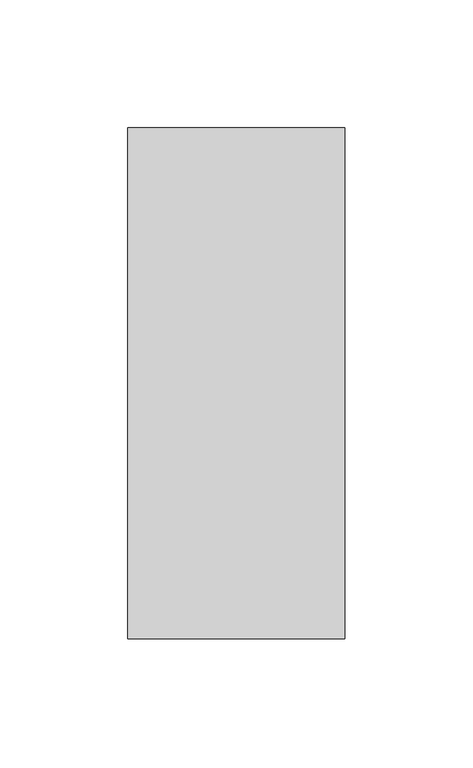
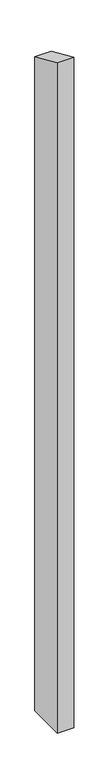
"""IFC4 building model written with IfcOpenShell, lengths in millimetres: column geometry."""

from ifc_helpers import new_model, si_unit, frame, origin, place, context, project, spatial, polyline, outline, extrude, source, transform, mapped, element, save


def column_269334a3(model_context):
    return source(origin(), model_context, "Body", "SweptSolid", [
        extrude(outline(polyline([(3559.2068086, 0.0), (3359.2068086, 0.0), (3359.2068086, 3658.7009296), (3559.2068086, 3569.6551925), (3559.2068086, 0.0)])), frame((1241.6270411, 0.0, 0.0), z_axis=(1.0, 0.0, 0.0), x_axis=(0.0, 1.0, 0.0)), (0.0, 0.0, 1.0), 85.0),
    ])


if __name__ == "__main__":
    model = new_model("IFC4")
    model_context = context("Model", 3, world=origin())
    ifc_project = project(units=[si_unit("LENGTHUNIT", "METRE", prefix="MILLI")], contexts=[model_context])
    site = spatial("IfcSite", under=ifc_project)
    building = spatial("IfcBuilding", under=site)
    placement = place(None, origin())
    column_shape = column_269334a3(model_context)
    element("IfcColumn", 1, at=placement, inside=building, context=model_context, shape_type="MappedRepresentation", body=[
        mapped(column_shape, transform((0.0, 0.0, 0.0), x_axis=(1.0, 0.0, 0.0), y_axis=(0.0, 1.0, 0.0), z_axis=(0.0, 0.0, 1.0))),
    ])
    save(model, "model.ifc")
